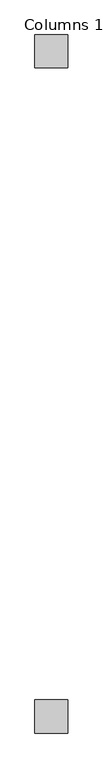
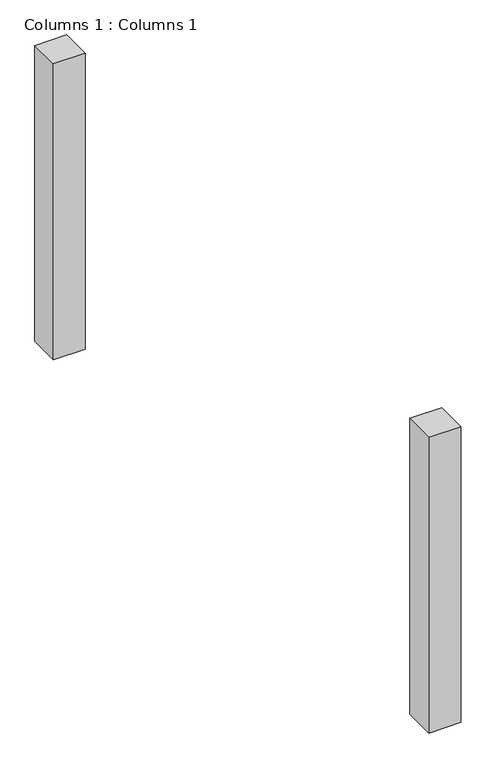
"""IFC4 building model written with IfcOpenShell, lengths in millimetres: column geometry, Columns 1 : Columns 1."""

from ifc_helpers import new_model, si_unit, origin, origin_with_axes, place, context, project, spatial, polyline, outline, extrude, source, transform, mapped, element, save


def columns_1_columns_1_c42f4f63(model_context):
    return source(origin(), model_context, "Body", "SweptSolid", [
        extrude(outline(polyline([(-154258.6469636, 20506.8361016), (-154258.6469636, 20194.3160696), (-154570.2485217, 20194.3160696), (-154570.2485217, 20506.8361016), (-154258.6469636, 20506.8361016)])), origin_with_axes(), (0.0, 0.0, 1.0), 3048.0),
        extrude(outline(polyline([(-154258.6469636, 13855.0031895), (-154570.7613992, 13855.0031895), (-154570.7613992, 14173.1500145), (-154258.6469636, 14173.1500145), (-154258.6469636, 13855.0031895)])), origin_with_axes(), (0.0, 0.0, 1.0), 3048.0),
    ])


if __name__ == "__main__":
    model = new_model("IFC4")
    model_context = context("Model", 3, world=origin())
    ifc_project = project(units=[si_unit("LENGTHUNIT", "METRE", prefix="MILLI")], contexts=[model_context])
    site = spatial("IfcSite", under=ifc_project)
    building = spatial("IfcBuilding", under=site)
    placement = place(None, origin())
    columns_1_columns_1_shape = columns_1_columns_1_c42f4f63(model_context)
    element("IfcColumn", 1, ObjectType="Columns 1 : Columns 1", at=placement, inside=building, context=model_context, shape_type="MappedRepresentation", body=[
        mapped(columns_1_columns_1_shape, transform((0.0, 0.0, 0.0), x_axis=(1.0, 0.0, 0.0), y_axis=(0.0, 1.0, 0.0), z_axis=(0.0, 0.0, 1.0))),
    ])
    save(model, "model.ifc")
